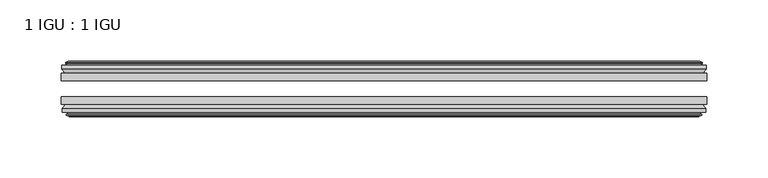
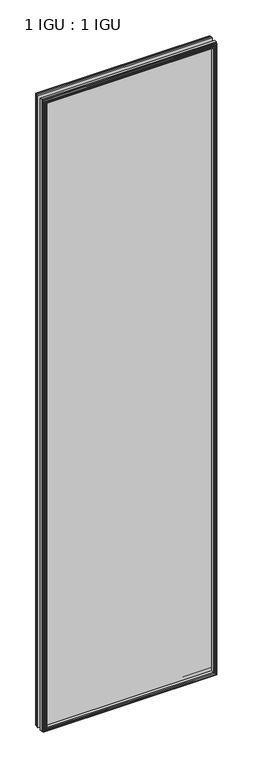
"""IFC4 building model written with IfcOpenShell, lengths in millimetres: plate geometry, 1 IGU : 1 IGU."""

from ifc_helpers import new_model, si_unit, frame, origin, place, context, project, spatial, polyline, outline, extrude, faceted_brep, source, transform, mapped, element, save


def plate_1_igu_1_igu_7eb48c8d(model_context):
    return source(origin(), model_context, "Body", "SolidModel", [
        extrude(outline(polyline([(263.5317469, -25.8960937), (263.5317469, -32.2460938), (-263.5317469, -32.2460938), (-263.5317469, -25.8960937), (263.5317469, -25.8960937)])), frame((0.0, 0.0, -12.7), z_axis=(0.0, 0.0, 1.0), x_axis=(1.0, 0.0, 0.0)), (0.0, 0.0, 1.0), 2019.3),
        extrude(outline(polyline([(-263.5317469, -51.2960938), (-263.5317469, -45.2686737), (263.5317469, -45.2686737), (263.5317469, -51.2960938), (-263.5317469, -51.2960938)])), frame((0.0, 0.0, -12.7), z_axis=(0.0, 0.0, 1.0), x_axis=(1.0, 0.0, 0.0)), (0.0, 0.0, 1.0), 2019.3),
        faceted_brep([(-257.9437469, -60.0262907, 2001.012), (-258.3247469, -57.6460937, 2001.393), (-258.3247469, -57.6460937, -7.493), (-257.9437469, -60.0262907, -7.112), (-259.3592759, -59.5663575, 2002.4275291), (-259.3592759, -59.5663575, -8.5275291), (-259.3592759, -60.3675717, 2002.4275291), (-259.3592759, -60.3675717, -8.5275291), (-257.1817469, -61.0750937, 2000.25), (-257.1817469, -61.0750937, -6.35), (-255.0042178, -60.3675717, 1998.0724709), (-255.0042178, -60.3675717, -4.1724709), (-255.0042178, -59.5663575, 1998.0724709), (-255.0042178, -59.5663575, -4.1724709), (-256.4197469, -60.0262907, 1999.488), (-256.4197469, -60.0262907, -5.588), (-256.0387469, -57.6460937, 1999.107), (-256.0387469, -57.6460937, -5.207), (-249.1140288, -51.2960937, 1992.1822819), (-250.8317469, -57.6460937, 1993.9), (-250.8317469, -57.6460937, 0.0), (-249.1140288, -51.2960937, 1.7177181), (-262.7697469, -54.6996937, 2005.838), (-259.9354047, -51.2960937, 2003.0036578), (-259.9354047, -51.2960937, -9.1036578), (-262.7697469, -54.6996937, -11.938), (-262.7697469, -57.6460937, 2005.838), (-262.7697469, -57.6460937, -11.938), (258.3247469, -57.6460938, -7.493), (257.9437469, -60.0262907, -7.112), (259.3592759, -59.5663575, -8.5275291), (259.3592759, -60.3675717, -8.5275291), (257.1817469, -61.0750937, -6.35), (255.0042178, -60.3675717, -4.1724709), (255.0042178, -59.5663575, -4.1724709), (256.4197469, -60.0262907, -5.588), (256.0387469, -57.6460937, -5.207), (250.8317469, -57.6460937, 0.0), (249.1140288, -51.2960937, 1.7177181), (259.9354047, -51.2960937, -9.1036578), (262.7697469, -54.6996937, -11.938), (262.7697469, -57.6460938, -11.938), (258.3247469, -57.6460938, 2001.393), (257.9437469, -60.0262907, 2001.012), (259.3592759, -59.5663575, 2002.4275291), (259.3592759, -60.3675717, 2002.4275291), (257.1817469, -61.0750937, 2000.25), (255.0042178, -60.3675717, 1998.0724709), (255.0042178, -59.5663575, 1998.0724709), (256.4197469, -60.0262907, 1999.488), (256.0387469, -57.6460937, 1999.107), (250.8317469, -57.6460937, 1993.9), (249.1140288, -51.2960937, 1992.1822819), (259.9354047, -51.2960937, 2003.0036578), (262.7697469, -54.6996937, 2005.838), (262.7697469, -57.6460938, 2005.838)], [[[0, 1, 2, 3]], [[4, 0, 3, 5]], [[6, 4, 5, 7]], [[8, 6, 7, 9]], [[10, 8, 9, 11]], [[12, 10, 11, 13]], [[14, 12, 13, 15]], [[16, 14, 15, 17]], [[18, 19, 20, 21]], [[22, 23, 24, 25]], [[26, 22, 25, 27]], [[3, 2, 28, 29]], [[5, 3, 29, 30]], [[7, 5, 30, 31]], [[9, 7, 31, 32]], [[11, 9, 32, 33]], [[13, 11, 33, 34]], [[15, 13, 34, 35]], [[17, 15, 35, 36]], [[21, 20, 37, 38]], [[25, 24, 39, 40]], [[27, 25, 40, 41]], [[29, 28, 42, 43]], [[30, 29, 43, 44]], [[31, 30, 44, 45]], [[32, 31, 45, 46]], [[33, 32, 46, 47]], [[34, 33, 47, 48]], [[35, 34, 48, 49]], [[36, 35, 49, 50]], [[38, 37, 51, 52]], [[40, 39, 53, 54]], [[41, 40, 54, 55]], [[27, 41, 55, 26], [1, 42, 28, 2]], [[43, 42, 1, 0]], [[44, 43, 0, 4]], [[45, 44, 4, 6]], [[46, 45, 6, 8]], [[47, 46, 8, 10]], [[48, 47, 10, 12]], [[49, 48, 12, 14]], [[50, 49, 14, 16]], [[17, 36, 50, 16], [19, 51, 37, 20]], [[52, 51, 19, 18]], [[23, 53, 39, 24], [21, 38, 52, 18]], [[54, 53, 23, 22]], [[55, 54, 22, 26]]]),
        faceted_brep([(-260.4561047, -25.8960937, 2003.5243578), (-263.2904469, -22.4924937, 2006.3587), (-263.2904469, -22.4924937, -12.4587), (-260.4561047, -25.8960937, -9.6243578), (-251.3524469, -19.5460937, 1994.4207), (-249.6347288, -25.8960937, 1992.7029819), (-249.6347288, -25.8960937, 1.1970181), (-251.3524469, -19.5460937, -0.5207), (-256.9404469, -17.1658968, 2000.0087), (-256.5594469, -19.5460937, 1999.6277), (-256.5594469, -19.5460937, -5.7277), (-256.9404469, -17.1658968, -6.1087), (-255.5249178, -17.62583, 1998.5931709), (-255.5249178, -17.62583, -4.6931709), (-255.5249178, -16.8246158, 1998.5931709), (-255.5249178, -16.8246158, -4.6931709), (-257.7024469, -16.1170937, 2000.7707), (-257.7024469, -16.1170937, -6.8707), (-259.8799759, -16.8246158, 2002.9482291), (-259.8799759, -16.8246158, -9.0482291), (-259.8799759, -17.62583, 2002.9482291), (-259.8799759, -17.62583, -9.0482291), (-258.4644469, -17.1658968, 2001.5327), (-258.4644469, -17.1658968, -7.6327), (-258.8454469, -19.5460937, 2001.9137), (-258.8454469, -19.5460937, -8.0137), (-263.2904469, -19.5460937, 2006.3587), (-263.2904469, -19.5460937, -12.4587), (263.2904469, -22.4924937, -12.4587), (260.4561047, -25.8960937, -9.6243578), (249.6347288, -25.8960937, 1.1970181), (251.3524469, -19.5460937, -0.5207), (256.5594469, -19.5460937, -5.7277), (256.9404469, -17.1658968, -6.1087), (255.5249178, -17.62583, -4.6931709), (255.5249178, -16.8246158, -4.6931709), (257.7024469, -16.1170937, -6.8707), (259.8799759, -16.8246158, -9.0482291), (259.8799759, -17.62583, -9.0482291), (258.4644469, -17.1658968, -7.6327), (258.8454469, -19.5460937, -8.0137), (263.2904469, -19.5460937, -12.4587), (263.2904469, -22.4924937, 2006.3587), (260.4561047, -25.8960937, 2003.5243578), (249.6347288, -25.8960937, 1992.7029819), (251.3524469, -19.5460937, 1994.4207), (256.5594469, -19.5460937, 1999.6277), (256.9404469, -17.1658968, 2000.0087), (255.5249178, -17.62583, 1998.5931709), (255.5249178, -16.8246158, 1998.5931709), (257.7024469, -16.1170937, 2000.7707), (259.8799759, -16.8246158, 2002.9482291), (259.8799759, -17.62583, 2002.9482291), (258.4644469, -17.1658968, 2001.5327), (258.8454469, -19.5460937, 2001.9137), (263.2904469, -19.5460937, 2006.3587)], [[[0, 1, 2, 3]], [[4, 5, 6, 7]], [[8, 9, 10, 11]], [[12, 8, 11, 13]], [[14, 12, 13, 15]], [[16, 14, 15, 17]], [[18, 16, 17, 19]], [[20, 18, 19, 21]], [[22, 20, 21, 23]], [[24, 22, 23, 25]], [[1, 26, 27, 2]], [[3, 2, 28, 29]], [[7, 6, 30, 31]], [[11, 10, 32, 33]], [[13, 11, 33, 34]], [[15, 13, 34, 35]], [[17, 15, 35, 36]], [[19, 17, 36, 37]], [[21, 19, 37, 38]], [[23, 21, 38, 39]], [[25, 23, 39, 40]], [[2, 27, 41, 28]], [[29, 28, 42, 43]], [[31, 30, 44, 45]], [[33, 32, 46, 47]], [[34, 33, 47, 48]], [[35, 34, 48, 49]], [[36, 35, 49, 50]], [[37, 36, 50, 51]], [[38, 37, 51, 52]], [[39, 38, 52, 53]], [[40, 39, 53, 54]], [[28, 41, 55, 42]], [[43, 42, 1, 0]], [[3, 29, 43, 0], [5, 44, 30, 6]], [[45, 44, 5, 4]], [[9, 46, 32, 10], [7, 31, 45, 4]], [[47, 46, 9, 8]], [[48, 47, 8, 12]], [[49, 48, 12, 14]], [[50, 49, 14, 16]], [[51, 50, 16, 18]], [[52, 51, 18, 20]], [[53, 52, 20, 22]], [[54, 53, 22, 24]], [[26, 55, 41, 27], [25, 40, 54, 24]], [[42, 55, 26, 1]]]),
    ])


if __name__ == "__main__":
    model = new_model("IFC4")
    model_context = context("Model", 3, world=origin())
    ifc_project = project(units=[si_unit("LENGTHUNIT", "METRE", prefix="MILLI")], contexts=[model_context])
    site = spatial("IfcSite", under=ifc_project)
    building = spatial("IfcBuilding", under=site)
    placement = place(None, origin())
    plate_1_igu_1_igu_shape = plate_1_igu_1_igu_7eb48c8d(model_context)
    element("IfcPlate", 1, ObjectType="1 IGU : 1 IGU", at=placement, inside=building, context=model_context, shape_type="MappedRepresentation", body=[
        mapped(plate_1_igu_1_igu_shape, transform((0.0, 0.0, 0.0), x_axis=(1.0, 0.0, 0.0), y_axis=(0.0, 1.0, 0.0), z_axis=(0.0, 0.0, 1.0))),
    ])
    save(model, "model.ifc")
